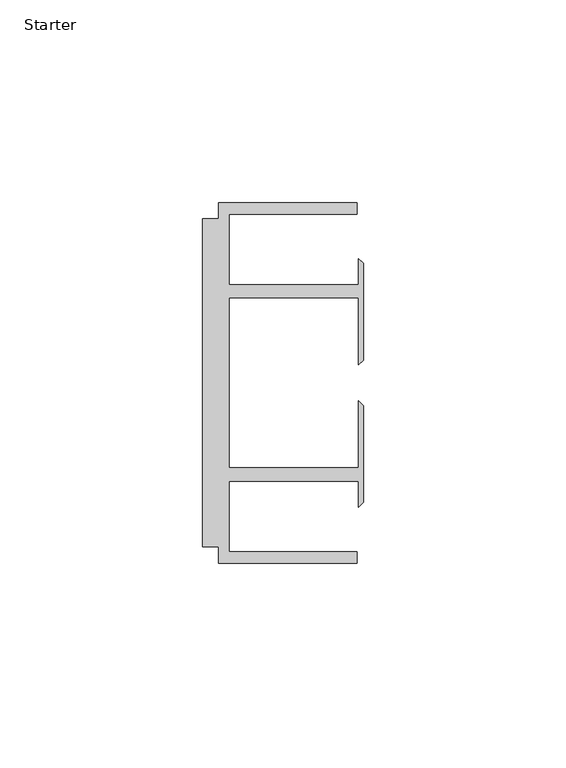
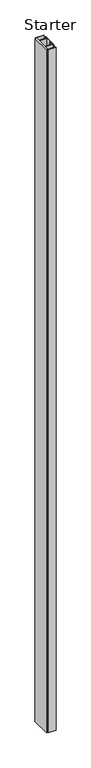
"""IFC4 building model written with IfcOpenShell, lengths in millimetres: furniture geometry, Starter."""

from ifc_helpers import new_model, si_unit, origin, origin_with_axes, place, context, project, spatial, polyline, outline, extrude, source, transform, mapped, element, save


def starter_279644fa(model_context):
    return source(origin(), model_context, "Body", "SweptSolid", [
        extrude(outline(polyline([(33.9771533, 59.951805), (68.0771531, 59.951805), (68.0771531, 57.1518064), (36.5771534, 57.1518064), (36.5771534, 39.7518058), (68.5195633, 39.7518058), (68.5195633, 46.1177636), (69.6646531, 44.9726737), (69.6646531, 21.086411), (68.5195633, 19.9413211), (68.5195633, 36.4518057), (36.5771534, 36.4518057), (36.5771534, -5.4481956), (68.5195633, -5.4481956), (68.5195633, 11.062289), (69.6646531, 9.9171991), (69.6646531, -13.9690637), (68.5195633, -15.1141535), (68.5195633, -8.7481957), (36.5771534, -8.7481957), (36.5771534, -26.1481963), (68.0771531, -26.1481963), (68.0771531, -28.948195), (33.9771533, -28.948195), (33.9771533, -24.9481962), (29.9771531, -24.9481962), (29.9771531, 55.9518063), (33.9771533, 55.9518063), (33.9771533, 59.951805)])), origin_with_axes(), (0.0, 0.0, 1.0), 3048.0),
    ])


if __name__ == "__main__":
    model = new_model("IFC4")
    model_context = context("Model", 3, world=origin())
    ifc_project = project(units=[si_unit("LENGTHUNIT", "METRE", prefix="MILLI")], contexts=[model_context])
    site = spatial("IfcSite", under=ifc_project)
    building = spatial("IfcBuilding", under=site)
    placement = place(None, origin())
    starter_shape = starter_279644fa(model_context)
    element("IfcFurniture", 1, ObjectType="Starter", at=placement, inside=building, context=model_context, shape_type="MappedRepresentation", body=[
        mapped(starter_shape, transform((0.0, 0.0, 0.0), x_axis=(1.0, 0.0, 0.0), y_axis=(0.0, 1.0, 0.0), z_axis=(0.0, 0.0, 1.0))),
    ])
    save(model, "model.ifc")
